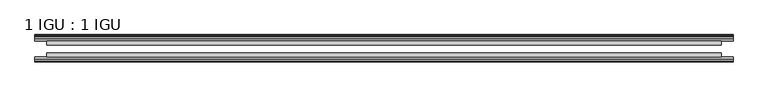
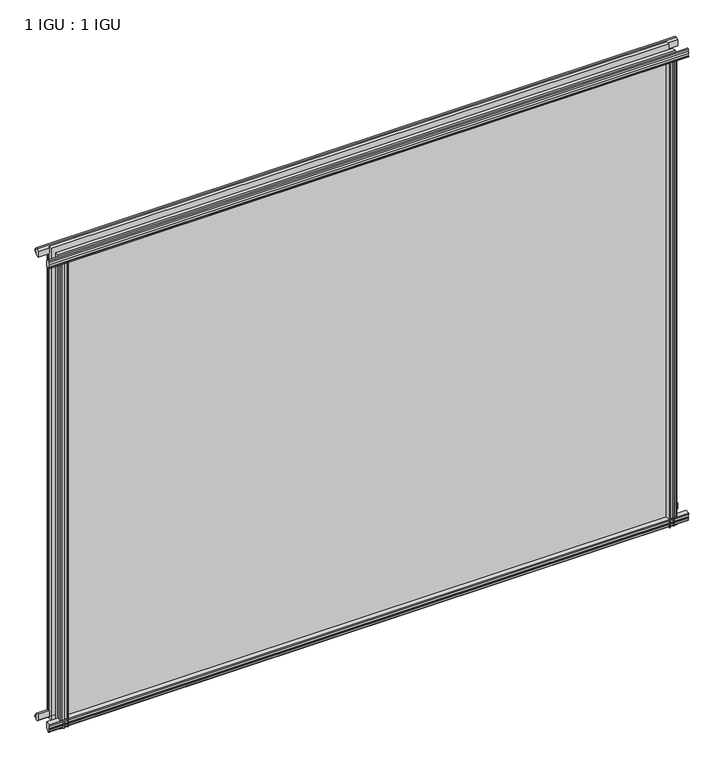
"""IFC4 building model written with IfcOpenShell, lengths in millimetres: plate geometry, 1 IGU : 1 IGU."""

from ifc_helpers import new_model, si_unit, point, frame, frame_2d, origin, place, context, project, spatial, polyline, circle_curve, trimmed, segment, composite_curve, outline, extrude, source, transform, mapped, element, save


def plate_1_igu_1_igu_0b5dd735(model_context):
    return source(origin(), model_context, "Body", "SweptSolid", [
        extrude(outline(composite_curve([segment(polyline([(-46.2359545, 846.392137), (-46.2359545, 835.3699197), (-53.3197108, 836.7372291)]), True, "CONTINUOUS"), segment(trimmed(circle_curve(frame_2d((-53.1447545, 837.7380519)), 1.016), [point((-53.3197108, 836.7372291))], [point((-53.8888005, 838.4298983))], False, "CARTESIAN"), True, "CONTINUOUS"), segment(polyline([(-53.8888005, 838.4298983), (-52.5859205, 838.2460519), (-52.5859205, 843.6562519), (-54.0652165, 843.9170917), (-52.5859205, 846.5010519), (-52.5859205, 849.6760519)]), True, "CONTINUOUS"), segment(trimmed(circle_curve(frame_2d((-51.3159205, 849.6760519)), 1.27), [point((-52.5859205, 849.6760519))], [point((-50.4178949, 850.5740775))], False, "CARTESIAN"), True, "CONTINUOUS"), segment(polyline([(-50.4178949, 850.5740775), (-46.2359545, 846.392137)]), True, "CONTINUOUS")], self_intersect=False)), frame((-553.161028, 0.0, 0.0), z_axis=(1.0, 0.0, 0.0), x_axis=(0.0, 1.0, 0.0)), (0.0, 0.0, 1.0), 1106.322056),
        extrude(outline(polyline([(-17.4323375, 850.8285625), (-14.4859375, 850.8285625), (-14.4859375, 846.3835625), (-12.1057405, 846.0025625), (-12.5656738, 847.4180916), (-11.7644596, 847.4180916), (-11.0569375, 845.2405625), (-11.7644596, 843.0630334), (-12.5656738, 843.0630334), (-12.1057405, 844.4785625), (-14.4859375, 844.0975625), (-14.4859375, 838.8905625), (-20.8359545, 837.1728398), (-20.8359545, 847.9942062), (-17.4323375, 850.8285625)])), frame((-553.161028, 0.0, 0.0), z_axis=(1.0, 0.0, 0.0), x_axis=(0.0, 1.0, 0.0)), (0.0, 0.0, 1.0), 1106.322056),
        extrude(outline(polyline([(-20.8359545, 1.2049602), (-14.4859375, -0.5127625), (-14.4859375, -5.7197625), (-12.1057405, -6.1007625), (-12.5656738, -4.6852334), (-11.7644596, -4.6852334), (-11.0569375, -6.8627625), (-11.7644596, -9.0402916), (-12.5656738, -9.0402916), (-12.1057405, -7.6247625), (-14.4859375, -8.0057625), (-14.4859375, -12.4507625), (-17.4323375, -12.4507625), (-20.8359545, -9.6164062), (-20.8359545, 1.2049602)])), frame((-553.161028, 0.0, 0.0), z_axis=(1.0, 0.0, 0.0), x_axis=(0.0, 1.0, 0.0)), (0.0, 0.0, 1.0), 1106.322056),
        extrude(outline(composite_curve([segment(polyline([(-53.3197108, 1.6405709), (-46.2359545, 3.0078803), (-46.2359545, -8.014337), (-50.4178949, -12.1962775)]), True, "CONTINUOUS"), segment(trimmed(circle_curve(frame_2d((-51.3159205, -11.2982519)), 1.27), [point((-50.4178949, -12.1962775))], [point((-52.5859205, -11.2982519))], False, "CARTESIAN"), True, "CONTINUOUS"), segment(polyline([(-52.5859205, -11.2982519), (-52.5859205, -8.1232519), (-54.0652165, -5.5392917), (-52.5859205, -5.2784519), (-52.5859205, 0.1317481), (-53.8888005, -0.0520983)]), True, "CONTINUOUS"), segment(trimmed(circle_curve(frame_2d((-53.1447545, 0.6397481)), 1.016), [point((-53.8888005, -0.0520983))], [point((-53.3197108, 1.6405709))], False, "CARTESIAN"), True, "CONTINUOUS")], self_intersect=False)), frame((-553.161028, 0.0, 0.0), z_axis=(1.0, 0.0, 0.0), x_axis=(0.0, 1.0, 0.0)), (0.0, 0.0, 1.0), 1106.322056),
        extrude(outline(polyline([(-529.0605082, -12.1057405), (-530.4760373, -12.5656738), (-530.4760373, -11.7644596), (-528.2985082, -11.0569375), (-526.1209792, -11.7644596), (-526.1209792, -12.5656738), (-527.5365082, -12.1057405), (-527.1555082, -14.4859375), (-521.9485082, -14.4859375), (-520.2307902, -20.8359375), (-531.0521661, -20.8359375), (-533.8865082, -17.4323375), (-533.8865082, -14.4859375), (-529.4415082, -14.4859375), (-529.0605082, -12.1057405)])), frame((0.0, 0.0, -12.6752823), z_axis=(0.0, 0.0, 1.0), x_axis=(1.0, 0.0, 0.0)), (0.0, 0.0, 1.0), 851.0530823),
        extrude(outline(composite_curve([segment(polyline([(-529.4500658, -46.2359375), (-518.4278622, -46.2359375), (-519.7951748, -53.3197108)]), True, "CONTINUOUS"), segment(trimmed(circle_curve(frame_2d((-520.7959976, -53.1447545)), 1.016), [point((-519.7951748, -53.3197108))], [point((-521.4878441, -53.8888005))], False, "CARTESIAN"), True, "CONTINUOUS"), segment(polyline([(-521.4878441, -53.8888005), (-521.3039976, -52.5859205), (-526.7141976, -52.5859205), (-526.9750374, -54.0652165), (-529.5589976, -52.5859205), (-532.7339976, -52.5859205)]), True, "CONTINUOUS"), segment(trimmed(circle_curve(frame_2d((-532.7339976, -51.3159205)), 1.27), [point((-532.7339976, -52.5859205))], [point((-533.6320233, -50.4178949))], False, "CARTESIAN"), True, "CONTINUOUS"), segment(polyline([(-533.6320233, -50.4178949), (-529.4500658, -46.2359375)]), True, "CONTINUOUS")], self_intersect=False)), frame((0.0, 0.0, -12.6752823), z_axis=(0.0, 0.0, 1.0), x_axis=(1.0, 0.0, 0.0)), (0.0, 0.0, 1.0), 851.0530823),
        extrude(outline(composite_curve([segment(polyline([(519.7951748, -53.3197108), (518.4278622, -46.2359375), (529.4500658, -46.2359375), (533.6320233, -50.4178949)]), True, "CONTINUOUS"), segment(trimmed(circle_curve(frame_2d((532.7339976, -51.3159205)), 1.27), [point((533.6320233, -50.4178949))], [point((532.7339976, -52.5859205))], False, "CARTESIAN"), True, "CONTINUOUS"), segment(polyline([(532.7339976, -52.5859205), (529.5589976, -52.5859205), (526.9750374, -54.0652165), (526.7141976, -52.5859205), (521.3039976, -52.5859205), (521.5269611, -53.8504091)]), True, "CONTINUOUS"), segment(trimmed(circle_curve(frame_2d((520.7959976, -53.1447545)), 1.016), [point((521.5269611, -53.8504091))], [point((519.7951748, -53.3197108))], False, "CARTESIAN"), True, "CONTINUOUS")], self_intersect=False)), frame((0.0, 0.0, -12.6752823), z_axis=(0.0, 0.0, 1.0), x_axis=(1.0, 0.0, 0.0)), (0.0, 0.0, 1.0), 851.0530823),
        extrude(outline(polyline([(526.1209792, -11.7644596), (528.2985082, -11.0569375), (530.4760373, -11.7644596), (530.4760373, -12.5656738), (529.0605082, -12.1057405), (529.4415082, -14.4859375), (533.8865082, -14.4859375), (533.8865082, -17.4323375), (531.0521661, -20.8359375), (520.2307902, -20.8359375), (521.9485082, -14.4859375), (527.1555082, -14.4859375), (527.5365082, -12.1057405), (526.1209792, -12.5656738), (526.1209792, -11.7644596)])), frame((0.0, 0.0, -12.6752823), z_axis=(0.0, 0.0, 1.0), x_axis=(1.0, 0.0, 0.0)), (0.0, 0.0, 1.0), 851.0530823),
        extrude(outline(polyline([(534.111028, -20.8359375), (534.111028, -27.1859375), (-534.111028, -27.1859375), (-534.111028, -20.8359375), (534.111028, -20.8359375)])), frame((0.0, 0.0, -12.6752823), z_axis=(0.0, 0.0, 1.0), x_axis=(1.0, 0.0, 0.0)), (0.0, 0.0, 1.0), 863.7283645),
        extrude(outline(polyline([(-534.111028, -46.2359375), (-534.111028, -39.8859375), (534.111028, -39.8859375), (534.111028, -46.2359375), (-534.111028, -46.2359375)])), frame((0.0, 0.0, -12.6752823), z_axis=(0.0, 0.0, 1.0), x_axis=(1.0, 0.0, 0.0)), (0.0, 0.0, 1.0), 863.7283645),
    ])


if __name__ == "__main__":
    model = new_model("IFC4")
    model_context = context("Model", 3, world=origin())
    ifc_project = project(units=[si_unit("LENGTHUNIT", "METRE", prefix="MILLI")], contexts=[model_context])
    site = spatial("IfcSite", under=ifc_project)
    building = spatial("IfcBuilding", under=site)
    placement = place(None, origin())
    plate_1_igu_1_igu_shape = plate_1_igu_1_igu_0b5dd735(model_context)
    element("IfcPlate", 1, ObjectType="1 IGU : 1 IGU", at=placement, inside=building, context=model_context, shape_type="MappedRepresentation", body=[
        mapped(plate_1_igu_1_igu_shape, transform((0.0, 0.0, 0.0), x_axis=(1.0, 0.0, 0.0), y_axis=(0.0, 1.0, 0.0), z_axis=(0.0, 0.0, 1.0))),
    ])
    save(model, "model.ifc")
